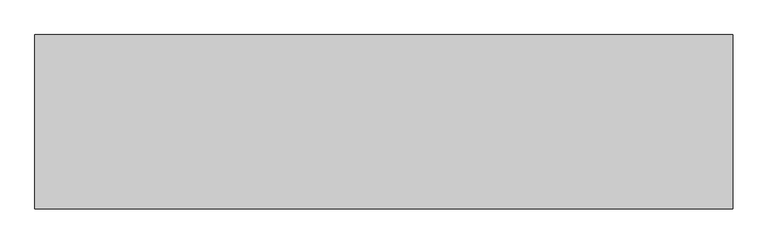
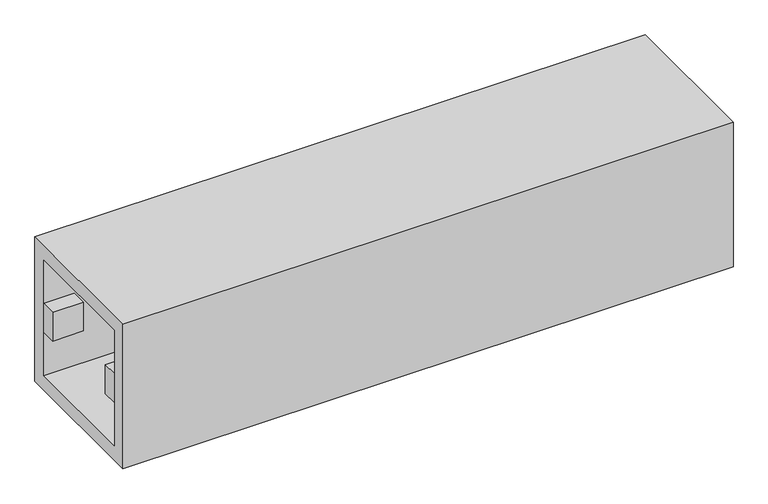
"""IFC4 building model written with IfcOpenShell, lengths in millimetres: proxy geometry."""

from ifc_helpers import new_model, si_unit, frame, origin, place, context, project, spatial, polyline, outline, extrude, source, transform, mapped, element, save


def generic_models_9196f6dd(model_context):
    return source(origin(), model_context, "Body", "SweptSolid", [
        extrude(outline(polyline([(525.0, -200.0), (425.0, -200.0), (425.0, -150.0), (525.0, -150.0), (525.0, -200.0)])), frame((0.0, 0.0, -50.0), z_axis=(0.0, 0.0, 1.0), x_axis=(1.0, 0.0, 0.0)), (0.0, 0.0, 1.0), 100.0),
        extrude(outline(polyline([(50.0, -200.0), (-50.0, -200.0), (-50.0, -150.0), (50.0, -150.0), (50.0, -200.0)])), frame((0.0, 0.0, -50.0), z_axis=(0.0, 0.0, 1.0), x_axis=(1.0, 0.0, 0.0)), (0.0, 0.0, 1.0), 100.0),
        extrude(outline(polyline([(-425.0, -200.0), (-525.0, -200.0), (-525.0, -150.0), (-425.0, -150.0), (-425.0, -200.0)])), frame((0.0, 0.0, -50.0), z_axis=(0.0, 0.0, 1.0), x_axis=(1.0, 0.0, 0.0)), (0.0, 0.0, 1.0), 100.0),
        extrude(outline(polyline([(1000.0, -200.0), (900.0, -200.0), (900.0, -150.0), (1000.0, -150.0), (1000.0, -200.0)])), frame((0.0, 0.0, -50.0), z_axis=(0.0, 0.0, 1.0), x_axis=(1.0, 0.0, 0.0)), (0.0, 0.0, 1.0), 100.0),
        extrude(outline(polyline([(-900.0, -200.0), (-1000.0, -200.0), (-1000.0, -150.0), (-900.0, -150.0), (-900.0, -200.0)])), frame((0.0, 0.0, -50.0), z_axis=(0.0, 0.0, 1.0), x_axis=(1.0, 0.0, 0.0)), (0.0, 0.0, 1.0), 100.0),
        extrude(outline(polyline([(525.0, 200.0), (525.0, 150.0), (425.0, 150.0), (425.0, 200.0), (525.0, 200.0)])), frame((0.0, 0.0, -50.0), z_axis=(0.0, 0.0, 1.0), x_axis=(1.0, 0.0, 0.0)), (0.0, 0.0, 1.0), 100.0),
        extrude(outline(polyline([(50.0, 200.0), (50.0, 150.0), (-50.0, 150.0), (-50.0, 200.0), (50.0, 200.0)])), frame((0.0, 0.0, -50.0), z_axis=(0.0, 0.0, 1.0), x_axis=(1.0, 0.0, 0.0)), (0.0, 0.0, 1.0), 100.0),
        extrude(outline(polyline([(-425.0, 200.0), (-425.0, 150.0), (-525.0, 150.0), (-525.0, 200.0), (-425.0, 200.0)])), frame((0.0, 0.0, -50.0), z_axis=(0.0, 0.0, 1.0), x_axis=(1.0, 0.0, 0.0)), (0.0, 0.0, 1.0), 100.0),
        extrude(outline(polyline([(1000.0, 200.0), (1000.0, 150.0), (900.0, 150.0), (900.0, 200.0), (1000.0, 200.0)])), frame((0.0, 0.0, -50.0), z_axis=(0.0, 0.0, 1.0), x_axis=(1.0, 0.0, 0.0)), (0.0, 0.0, 1.0), 100.0),
        extrude(outline(polyline([(-900.0, 200.0), (-900.0, 150.0), (-1000.0, 150.0), (-1000.0, 200.0), (-900.0, 200.0)])), frame((0.0, 0.0, -50.0), z_axis=(0.0, 0.0, 1.0), x_axis=(1.0, 0.0, 0.0)), (0.0, 0.0, 1.0), 100.0),
        extrude(outline(polyline([(-250.0, 250.0), (250.0, 250.0), (250.0, -250.0), (-250.0, -250.0), (-250.0, 250.0)]), holes=[polyline([(200.0, -200.0), (200.0, 200.0), (-200.0, 200.0), (-200.0, -200.0), (200.0, -200.0)])]), frame((-1000.0, 0.0, 0.0), z_axis=(1.0, 0.0, 0.0), x_axis=(0.0, 1.0, 0.0)), (0.0, 0.0, 1.0), 2000.0),
    ])


if __name__ == "__main__":
    model = new_model("IFC4")
    model_context = context("Model", 3, world=origin())
    ifc_project = project(units=[si_unit("LENGTHUNIT", "METRE", prefix="MILLI")], contexts=[model_context])
    site = spatial("IfcSite", under=ifc_project)
    building = spatial("IfcBuilding", under=site)
    placement = place(None, origin())
    generic_models_shape = generic_models_9196f6dd(model_context)
    element("IfcBuildingElementProxy", 1, Name="Generic Models", at=placement, inside=building, context=model_context, shape_type="MappedRepresentation", body=[
        mapped(generic_models_shape, transform((0.0, 0.0, 0.0), x_axis=(1.0, 0.0, 0.0), y_axis=(0.0, 1.0, 0.0), z_axis=(0.0, 0.0, 1.0))),
    ])
    save(model, "model.ifc")
